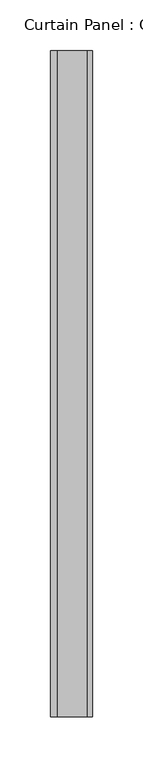
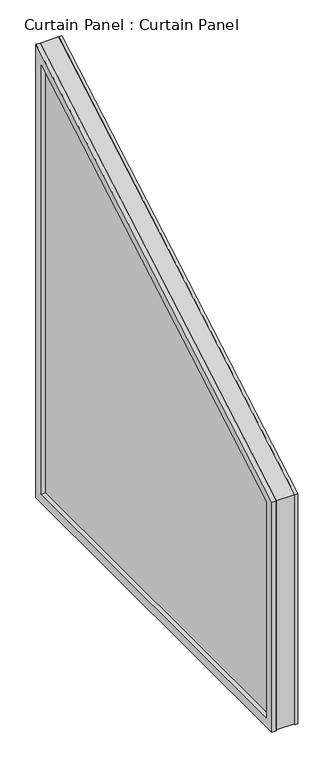
"""IFC4 building model written with IfcOpenShell, lengths in millimetres: plate geometry, Curtain Panel : Curtain Panel."""

from ifc_helpers import new_model, si_unit, frame, origin, place, context, project, spatial, polyline, outline, extrude, source, transform, mapped, element, save


def curtain_panel_curtain_panel_e13b87db(model_context):
    return source(origin(), model_context, "Body", "SweptSolid", [
        extrude(outline(polyline([(-21051.1929703, -84.5680969), (-21709.3966517, -84.5680969), (-21709.3966517, 306.8388289), (-21051.1929703, 686.8529016), (-21051.1929703, -84.5680969)]), holes=[polyline([(-21063.8728926, 664.8906319), (-21696.7167294, 299.5180724), (-21696.7167294, -71.8881746), (-21063.8728926, -71.8881746), (-21063.8728926, 664.8906319)])]), frame((12059.7270245, 0.0, 0.0), z_axis=(1.0, 0.0, 0.0), x_axis=(0.0, 1.0, 0.0)), (0.0, 0.0, 1.0), 4.8810886),
        extrude(outline(polyline([(-21051.1929703, -84.5680969), (-21709.3966517, -84.5680969), (-21709.3966517, 306.8388289), (-21051.1929703, 686.8529016), (-21051.1929703, -84.5680969)]), holes=[polyline([(-21066.2892809, 660.7053245), (-21694.300341, 298.1229699), (-21694.300341, -69.4717863), (-21066.2892809, -69.4717863), (-21066.2892809, 660.7053245)])]), frame((12023.0903612, 0.0, 0.0), z_axis=(1.0, 0.0, 0.0), x_axis=(0.0, 1.0, 0.0)), (0.0, 0.0, 1.0), 6.7338212),
        extrude(outline(polyline([(-21709.3966517, -82.8956185), (-21709.3966517, 306.8388289), (-21051.1929703, 686.8529016), (-21051.1929703, -82.8956185), (-21709.3966517, -82.8956185)])), frame((12029.8241824, 0.0, 0.0), z_axis=(1.0, 0.0, 0.0), x_axis=(0.0, 1.0, 0.0)), (0.0, 0.0, 1.0), 29.916771),
    ])


if __name__ == "__main__":
    model = new_model("IFC4")
    model_context = context("Model", 3, world=origin())
    ifc_project = project(units=[si_unit("LENGTHUNIT", "METRE", prefix="MILLI")], contexts=[model_context])
    site = spatial("IfcSite", under=ifc_project)
    building = spatial("IfcBuilding", under=site)
    placement = place(None, origin())
    curtain_panel_curtain_panel_shape = curtain_panel_curtain_panel_e13b87db(model_context)
    element("IfcPlate", 1, ObjectType="Curtain Panel : Curtain Panel", at=placement, inside=building, context=model_context, shape_type="MappedRepresentation", body=[
        mapped(curtain_panel_curtain_panel_shape, transform((0.0, 0.0, 0.0), x_axis=(1.0, 0.0, 0.0), y_axis=(0.0, 1.0, 0.0), z_axis=(0.0, 0.0, 1.0))),
    ])
    save(model, "model.ifc")
